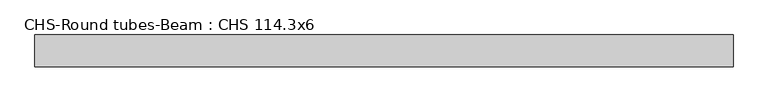
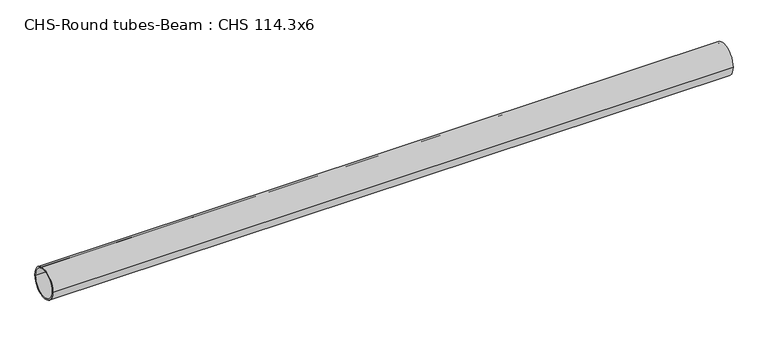
"""IFC4 building model written with IfcOpenShell, lengths in millimetres: beam geometry, CHS-Round tubes-Beam : CHS 114.3x6."""

from ifc_helpers import new_model, si_unit, point, frame, origin, origin_2d, place, context, project, spatial, circle_curve, trimmed, segment, composite_curve, outline, extrude, source, transform, mapped, element, save


def chs_round_tubes_beam_chs_114_3x6_5617abf2(model_context):
    return source(origin(), model_context, "Body", "SweptSolid", [
        extrude(outline(composite_curve([segment(trimmed(circle_curve(origin_2d(), 57.15), [point((57.15, 0.0))], [point((-57.15, 0.0))], False, "CARTESIAN"), True, "CONTINUOUS"), segment(trimmed(circle_curve(origin_2d(), 57.15), [point((-57.15, 0.0))], [point((57.15, 0.0))], False, "CARTESIAN"), True, "CONTINUOUS")], self_intersect=False), holes=[composite_curve([segment(trimmed(circle_curve(origin_2d(), 51.15), [point((51.15, 0.0))], [point((-51.15, 0.0))], True, "CARTESIAN"), True, "CONTINUOUS"), segment(trimmed(circle_curve(origin_2d(), 51.15), [point((-51.15, 0.0))], [point((51.15, 0.0))], True, "CARTESIAN"), True, "CONTINUOUS")], self_intersect=False)]), frame((-1220.3851427, 0.0, 0.0), z_axis=(1.0, 0.0, 0.0), x_axis=(0.0, 1.0, 0.0)), (0.0, 0.0, 1.0), 2503.4559128),
    ])


if __name__ == "__main__":
    model = new_model("IFC4")
    model_context = context("Model", 3, world=origin())
    ifc_project = project(units=[si_unit("LENGTHUNIT", "METRE", prefix="MILLI")], contexts=[model_context])
    site = spatial("IfcSite", under=ifc_project)
    building = spatial("IfcBuilding", under=site)
    placement = place(None, origin())
    chs_round_tubes_beam_chs_114_3x6_shape = chs_round_tubes_beam_chs_114_3x6_5617abf2(model_context)
    element("IfcBeam", 1, ObjectType="CHS-Round tubes-Beam : CHS 114.3x6", at=placement, inside=building, context=model_context, shape_type="MappedRepresentation", body=[
        mapped(chs_round_tubes_beam_chs_114_3x6_shape, transform((0.0, 0.0, 0.0), x_axis=(1.0, 0.0, 0.0), y_axis=(0.0, 1.0, 0.0), z_axis=(0.0, 0.0, 1.0))),
    ])
    save(model, "model.ifc")
